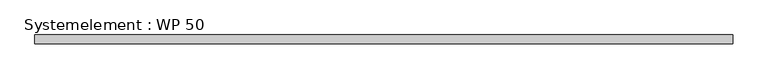
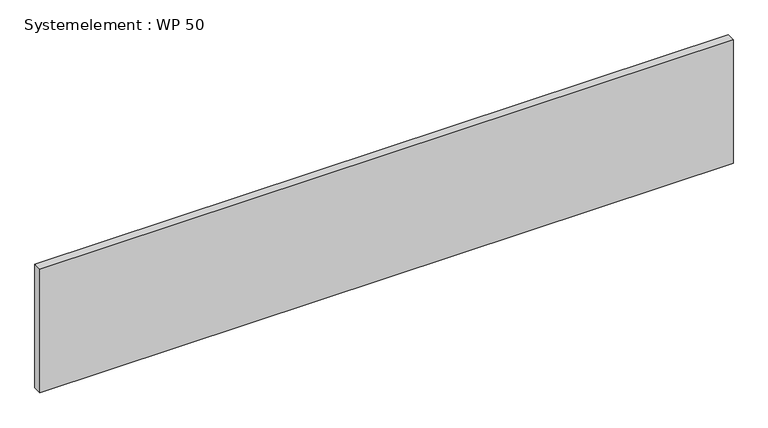
"""IFC4 building model written with IfcOpenShell, lengths in millimetres: plate geometry, Systemelement : WP 50."""

from ifc_helpers import new_model, si_unit, origin, origin_with_axes, place, context, project, spatial, polyline, outline, extrude, source, transform, mapped, element, save


def systemelement_wp_50_449fa597(model_context):
    return source(origin(), model_context, "Body", "SweptSolid", [
        extrude(outline(polyline([(2000.0, -50.0), (-2000.0, -50.0), (-2000.0, 0.0), (2000.0, 0.0), (2000.0, -50.0)])), origin_with_axes(), (0.0, 0.0, 1.0), 751.6147161),
    ])


if __name__ == "__main__":
    model = new_model("IFC4")
    model_context = context("Model", 3, world=origin())
    ifc_project = project(units=[si_unit("LENGTHUNIT", "METRE", prefix="MILLI")], contexts=[model_context])
    site = spatial("IfcSite", under=ifc_project)
    building = spatial("IfcBuilding", under=site)
    placement = place(None, origin())
    systemelement_wp_50_shape = systemelement_wp_50_449fa597(model_context)
    element("IfcPlate", 1, ObjectType="Systemelement : WP 50", at=placement, inside=building, context=model_context, shape_type="MappedRepresentation", body=[
        mapped(systemelement_wp_50_shape, transform((0.0, 0.0, 0.0), x_axis=(1.0, 0.0, 0.0), y_axis=(0.0, 1.0, 0.0), z_axis=(0.0, 0.0, 1.0))),
    ])
    save(model, "model.ifc")
